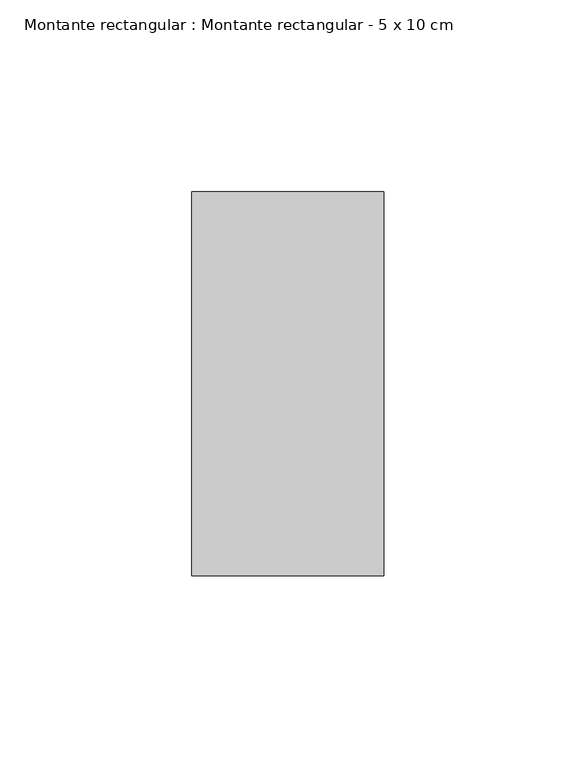
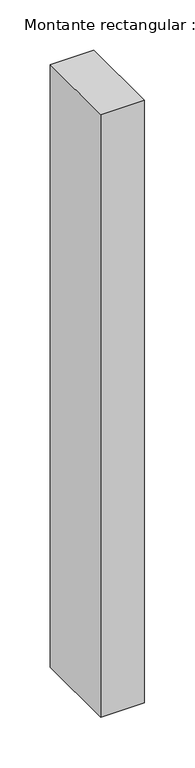
"""IFC4 building model written with IfcOpenShell, lengths in millimetres: member geometry, Montante rectangular : Montante rectangular - 5 x 10 cm."""

from ifc_helpers import new_model, si_unit, frame, origin, place, context, project, spatial, polyline, outline, extrude, source, transform, mapped, element, save


def montante_rectangular_montante_rectangular_5_x_10_cm_fd0f0e38(model_context):
    return source(origin(), model_context, "Body", "SweptSolid", [
        extrude(outline(polyline([(0.0, 50.0), (0.0, -50.0), (-50.0, -50.0), (-50.0, 50.0), (0.0, 50.0)])), frame((0.0, 0.0, -731.3333333), z_axis=(0.0, 0.0, 1.0), x_axis=(1.0, 0.0, 0.0)), (0.0, 0.0, 1.0), 731.3333333),
    ])


if __name__ == "__main__":
    model = new_model("IFC4")
    model_context = context("Model", 3, world=origin())
    ifc_project = project(units=[si_unit("LENGTHUNIT", "METRE", prefix="MILLI")], contexts=[model_context])
    site = spatial("IfcSite", under=ifc_project)
    building = spatial("IfcBuilding", under=site)
    placement = place(None, origin())
    montante_rectangular_montante_rectangular_5_x_10_cm_shape = montante_rectangular_montante_rectangular_5_x_10_cm_fd0f0e38(model_context)
    element("IfcMember", 1, ObjectType="Montante rectangular : Montante rectangular - 5 x 10 cm", at=placement, inside=building, context=model_context, shape_type="MappedRepresentation", body=[
        mapped(montante_rectangular_montante_rectangular_5_x_10_cm_shape, transform((0.0, 0.0, 0.0), x_axis=(1.0, 0.0, 0.0), y_axis=(0.0, 1.0, 0.0), z_axis=(0.0, 0.0, 1.0))),
    ])
    save(model, "model.ifc")
